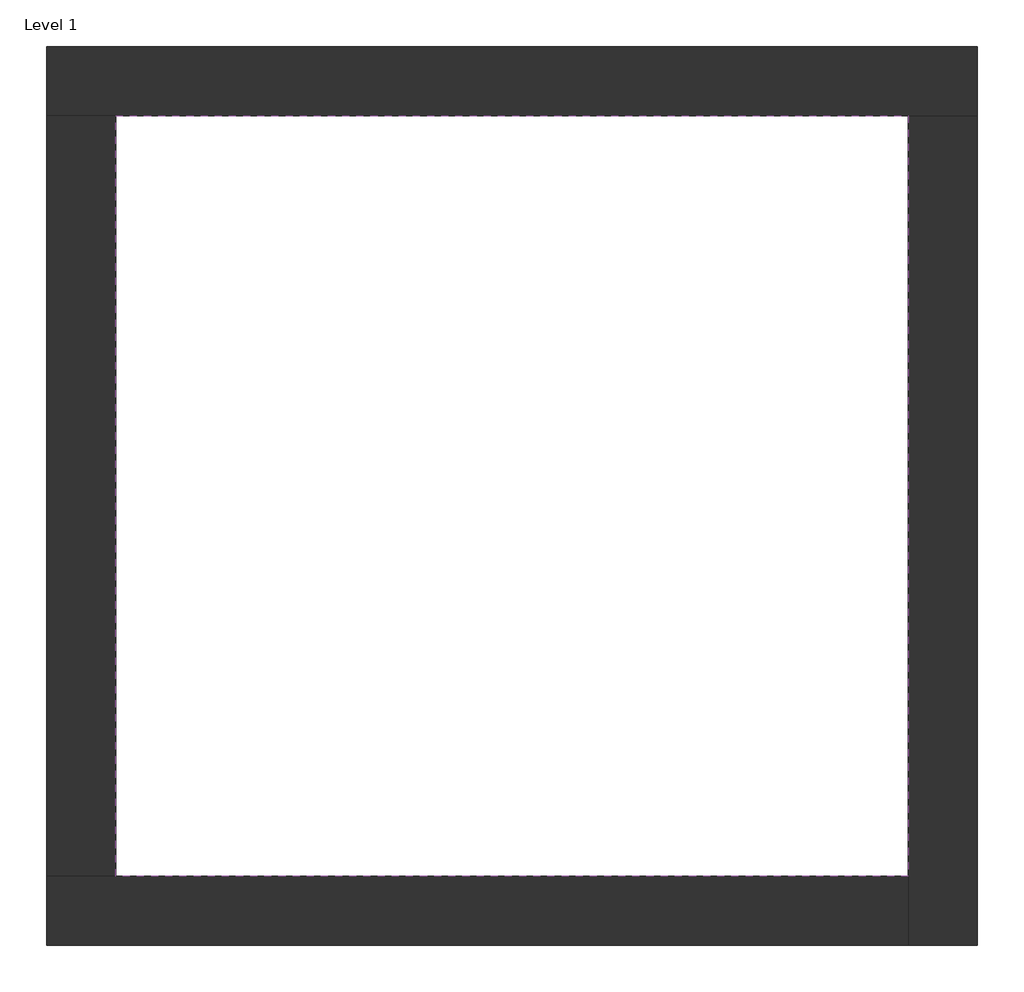
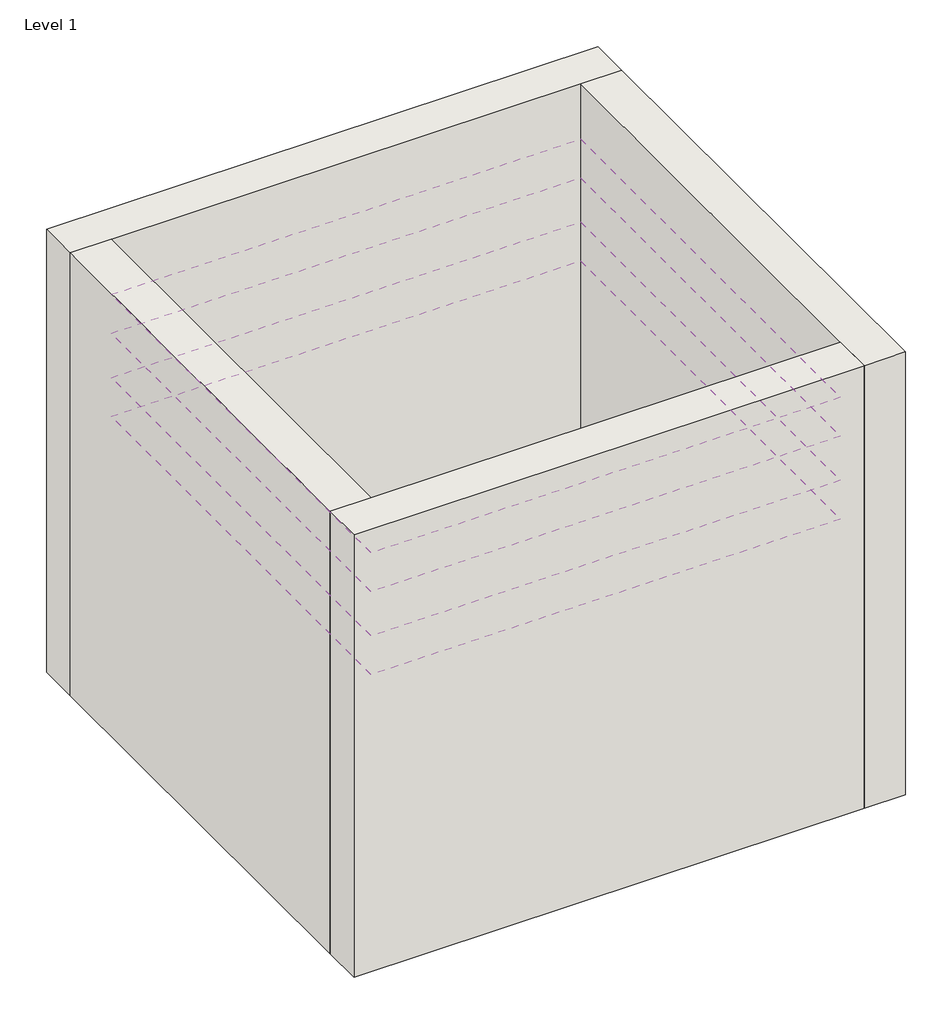
# One storey: 4 coverings, 4 walls.
"""IFC4 building model written with IfcOpenShell, lengths in millimetres."""

from ifc_helpers import new_model, si_unit, frame, origin, origin_with_axes, place, context, project, spatial, polyline, outline, extrude, faceted_brep, element, save

model = new_model("IFC4")

# Units and contexts
model_context = context("Model", 3, world=origin())
ifc_project = project(units=[si_unit("LENGTHUNIT", "METRE", prefix="MILLI")], contexts=[model_context])

# Site, building, storey
site = spatial("IfcSite", under=ifc_project)
building = spatial("IfcBuilding", under=site)
storey = spatial("IfcBuildingStorey", under=building, Name="Level 1", Elevation=0.0)

# Coverings
placement = place(None, origin())
element("IfcCovering", 1, at=placement, inside=storey, context=model_context, shape_type="SweptSolid", body=[
    extrude(outline(polyline([(-14894.8573003, 6921.2750283), (-10882.3573003, 6921.2750283), (-10882.3573003, 3071.2750283), (-14894.8573003, 3071.2750283), (-14894.8573003, 6921.2750283)])), frame((0.0, 0.0, 3500.0), z_axis=(0.0, 0.0, 1.0), x_axis=(1.0, 0.0, 0.0)), (0.0, 0.0, 1.0), 110.0),
])
element("IfcCovering", 2, at=placement, inside=storey, context=model_context, shape_type="SweptSolid", body=[
    extrude(outline(polyline([(-14894.8573003, 6921.2750283), (-10882.3573003, 6921.2750283), (-10882.3573003, 3071.2750283), (-14894.8573003, 3071.2750283), (-14894.8573003, 6921.2750283)])), frame((0.0, 0.0, 3150.0), z_axis=(0.0, 0.0, 1.0), x_axis=(1.0, 0.0, 0.0)), (0.0, 0.0, 1.0), 110.0),
])
element("IfcCovering", 3, at=placement, inside=storey, context=model_context, shape_type="SweptSolid", body=[
    extrude(outline(polyline([(-14894.8573003, 6921.2750283), (-10882.3573003, 6921.2750283), (-10882.3573003, 3071.2750283), (-14894.8573003, 3071.2750283), (-14894.8573003, 6921.2750283)])), frame((0.0, 0.0, 2750.0), z_axis=(0.0, 0.0, 1.0), x_axis=(1.0, 0.0, 0.0)), (0.0, 0.0, 1.0), 110.0),
])
element("IfcCovering", 4, at=placement, inside=storey, context=model_context, shape_type="SweptSolid", body=[
    extrude(outline(polyline([(-14894.8573003, 6921.2750283), (-10882.3573003, 6921.2750283), (-10882.3573003, 3071.2750283), (-14894.8573003, 3071.2750283), (-14894.8573003, 6921.2750283)])), frame((0.0, 0.0, 2400.0), z_axis=(0.0, 0.0, 1.0), x_axis=(1.0, 0.0, 0.0)), (0.0, 0.0, 1.0), 110.0),
])

# Walls
element("IfcWall", 5, ObjectType="Exterior - Brick on Mtl. Stud", at=placement, inside=storey, context=model_context, shape_type="Brep", body=[
    faceted_brep([(-15244.8573003, 6921.2750283, 0.0), (-14894.8573003, 6921.2750283, 0.0), (-10882.3573003, 6921.2750283, 0.0), (-10532.3573003, 6921.2750283, 0.0), (-10532.3573003, 6921.2750283, 4000.0), (-10882.3573003, 6921.2750283, 4000.0), (-14894.8573003, 6921.2750283, 4000.0), (-15244.8573003, 6921.2750283, 4000.0), (-15244.8573003, 7271.2750283, 0.0), (-15244.8573003, 7271.2750283, 4000.0), (-10532.3573003, 7271.2750283, 4000.0), (-10532.3573003, 7271.2750283, 0.0)], [[[0, 1, 2, 3, 4, 5, 6, 7]], [[8, 9, 10, 11]], [[3, 2, 1, 0, 8, 11]], [[7, 6, 5, 4, 10, 9]], [[0, 7, 9, 8]], [[4, 3, 11, 10]]]),
])
element("IfcWall", 6, ObjectType="Exterior - Brick on Mtl. Stud", at=placement, inside=storey, context=model_context, shape_type="Brep", body=[
    faceted_brep([(-10882.3573003, 6921.2750283, 0.0), (-10882.3573003, 3071.2750283, 0.0), (-10882.3573003, 2721.2750283, 0.0), (-10882.3573003, 2721.2750283, 4000.0), (-10882.3573003, 3071.2750283, 4000.0), (-10882.3573003, 6921.2750283, 4000.0), (-10532.3573003, 6921.2750283, 0.0), (-10532.3573003, 6921.2750283, 4000.0), (-10532.3573003, 2721.2750283, 4000.0), (-10532.3573003, 2721.2750283, 0.0)], [[[0, 1, 2, 3, 4, 5]], [[6, 7, 8, 9]], [[2, 1, 0, 6, 9]], [[5, 4, 3, 8, 7]], [[3, 2, 9, 8]], [[0, 5, 7, 6]]]),
])
element("IfcWall", 7, ObjectType="Exterior - Brick on Mtl. Stud", at=placement, inside=storey, context=model_context, shape_type="Brep", body=[
    faceted_brep([(-10882.3573003, 3071.2750283, 0.0), (-14894.8573003, 3071.2750283, 0.0), (-15244.8573003, 3071.2750283, 0.0), (-15244.8573003, 3071.2750283, 4000.0), (-14894.8573003, 3071.2750283, 4000.0), (-10882.3573003, 3071.2750283, 4000.0), (-10882.3573003, 2721.2750283, 0.0), (-10882.3573003, 2721.2750283, 4000.0), (-15244.8573003, 2721.2750283, 4000.0), (-15244.8573003, 2721.2750283, 0.0)], [[[0, 1, 2, 3, 4, 5]], [[6, 7, 8, 9]], [[2, 1, 0, 6, 9]], [[5, 4, 3, 8, 7]], [[3, 2, 9, 8]], [[0, 5, 7, 6]]]),
])
element("IfcWall", 8, ObjectType="Exterior - Brick on Mtl. Stud", at=placement, inside=storey, context=model_context, shape_type="SweptSolid", body=[
    extrude(outline(polyline([(-14894.8573003, 6921.2750283), (-14894.8573003, 3071.2750283), (-15244.8573003, 3071.2750283), (-15244.8573003, 6921.2750283), (-14894.8573003, 6921.2750283)])), origin_with_axes(), (0.0, 0.0, 1.0), 4000.0),
])

save(model, "model.ifc")
